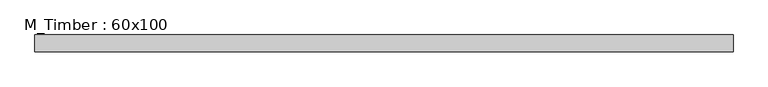
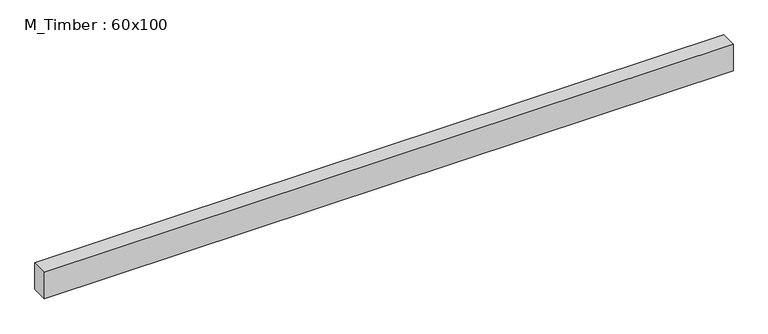
"""IFC4 building model written with IfcOpenShell, lengths in millimetres: beam geometry, M_Timber : 60x100."""

from ifc_helpers import new_model, si_unit, frame, origin, place, context, project, spatial, polyline, outline, extrude, source, transform, mapped, element, save


def m_timber_60x100_e596e9a6(model_context):
    return source(origin(), model_context, "Body", "SweptSolid", [
        extrude(outline(polyline([(1254.1674949, 30.0), (1254.1674949, -30.0), (-1235.156686, -30.0), (-1235.156686, 30.0), (1254.1674949, 30.0)])), frame((0.0, 0.0, -50.0), z_axis=(0.0, 0.0, 1.0), x_axis=(1.0, 0.0, 0.0)), (0.0, 0.0, 1.0), 100.0),
    ])


if __name__ == "__main__":
    model = new_model("IFC4")
    model_context = context("Model", 3, world=origin())
    ifc_project = project(units=[si_unit("LENGTHUNIT", "METRE", prefix="MILLI")], contexts=[model_context])
    site = spatial("IfcSite", under=ifc_project)
    building = spatial("IfcBuilding", under=site)
    placement = place(None, origin())
    m_timber_60x100_shape = m_timber_60x100_e596e9a6(model_context)
    element("IfcBeam", 1, ObjectType="M_Timber : 60x100", at=placement, inside=building, context=model_context, shape_type="MappedRepresentation", body=[
        mapped(m_timber_60x100_shape, transform((0.0, 0.0, 0.0), x_axis=(1.0, 0.0, 0.0), y_axis=(0.0, 1.0, 0.0), z_axis=(0.0, 0.0, 1.0))),
    ])
    save(model, "model.ifc")
